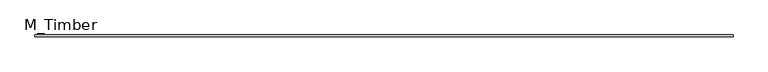
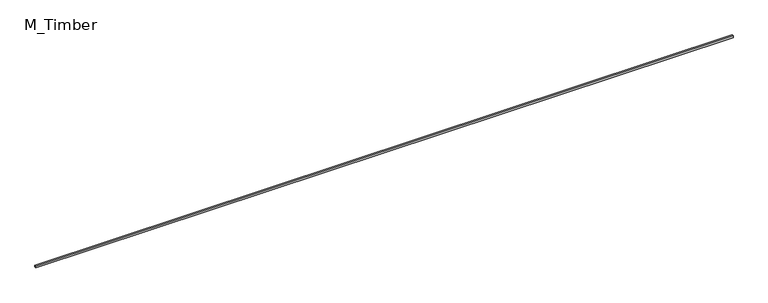
"""IFC4 building model written with IfcOpenShell, lengths in millimetres: beam geometry, M_Timber."""

from ifc_helpers import new_model, si_unit, frame, origin, place, context, project, spatial, polyline, outline, extrude, source, transform, mapped, element, save


def m_timber_d9d0dfd2(model_context):
    return source(origin(), model_context, "Body", "SweptSolid", [
        extrude(outline(polyline([(7868.0692378, 20.0), (7868.0692378, -20.0), (-7868.0692378, -20.0), (-7868.0692378, 20.0), (7868.0692378, 20.0)])), frame((0.0, 0.0, -20.0), z_axis=(0.0, 0.0, 1.0), x_axis=(1.0, 0.0, 0.0)), (0.0, 0.0, 1.0), 40.0),
    ])


if __name__ == "__main__":
    model = new_model("IFC4")
    model_context = context("Model", 3, world=origin())
    ifc_project = project(units=[si_unit("LENGTHUNIT", "METRE", prefix="MILLI")], contexts=[model_context])
    site = spatial("IfcSite", under=ifc_project)
    building = spatial("IfcBuilding", under=site)
    placement = place(None, origin())
    m_timber_shape = m_timber_d9d0dfd2(model_context)
    element("IfcBeam", 1, ObjectType="M_Timber", at=placement, inside=building, context=model_context, shape_type="MappedRepresentation", body=[
        mapped(m_timber_shape, transform((0.0, 0.0, 0.0), x_axis=(1.0, 0.0, 0.0), y_axis=(0.0, 1.0, 0.0), z_axis=(0.0, 0.0, 1.0))),
    ])
    save(model, "model.ifc")
